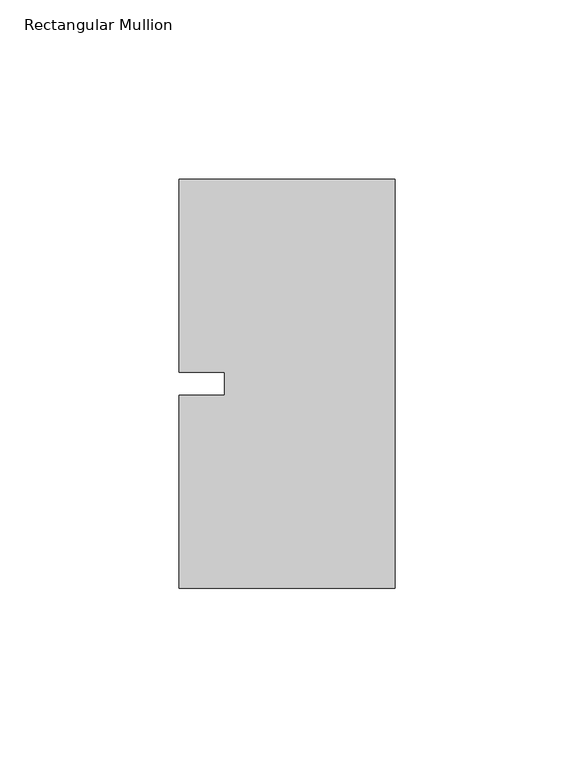
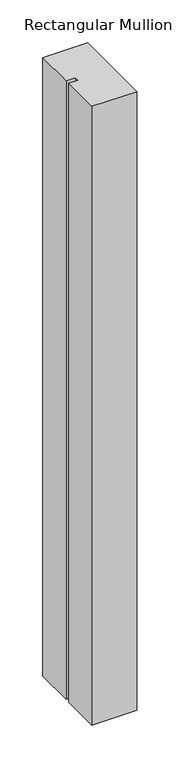
"""IFC4 building model written with IfcOpenShell, lengths in millimetres: member geometry, Rectangular Mullion."""

from ifc_helpers import new_model, si_unit, frame, origin, place, context, project, spatial, polyline, outline, extrude, source, transform, mapped, element, save


def rectangular_mullion_25c725d9(model_context):
    return source(origin(), model_context, "Body", "SweptSolid", [
        extrude(outline(polyline([(-60.325, 57.15), (0.0, 57.15), (0.0, -57.15), (-60.325, -57.15), (-60.325, -3.175), (-47.6232296, -3.175), (-47.6232296, 3.175), (-60.325, 3.175), (-60.325, 57.15)])), frame((0.0, 0.0, -880.6344027), z_axis=(0.0, 0.0, 1.0), x_axis=(1.0, 0.0, 0.0)), (0.0, 0.0, 1.0), 880.6344027),
    ])


if __name__ == "__main__":
    model = new_model("IFC4")
    model_context = context("Model", 3, world=origin())
    ifc_project = project(units=[si_unit("LENGTHUNIT", "METRE", prefix="MILLI")], contexts=[model_context])
    site = spatial("IfcSite", under=ifc_project)
    building = spatial("IfcBuilding", under=site)
    placement = place(None, origin())
    rectangular_mullion_shape = rectangular_mullion_25c725d9(model_context)
    element("IfcMember", 1, ObjectType="Rectangular Mullion", at=placement, inside=building, context=model_context, shape_type="MappedRepresentation", body=[
        mapped(rectangular_mullion_shape, transform((0.0, 0.0, 0.0), x_axis=(1.0, 0.0, 0.0), y_axis=(0.0, 1.0, 0.0), z_axis=(0.0, 0.0, 1.0))),
    ])
    save(model, "model.ifc")
